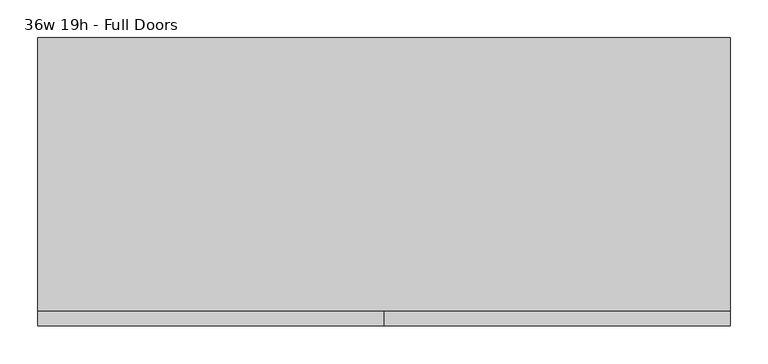
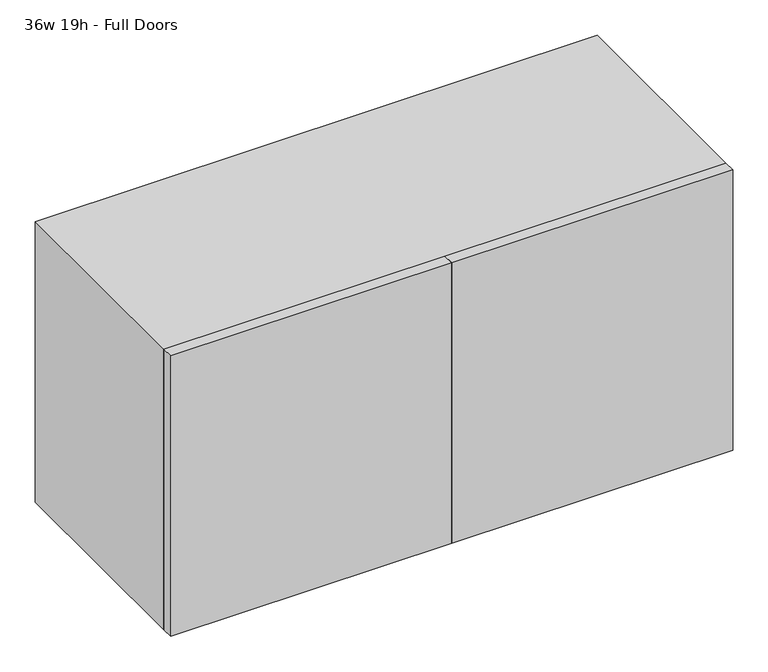
"""IFC4 building model written with IfcOpenShell, lengths in millimetres: furniture geometry, 36w 19h - Full Doors."""

from ifc_helpers import new_model, si_unit, frame, origin, place, context, project, spatial, polyline, outline, extrude, source, transform, mapped, element, save


def furniture_36w_19h_full_doors_8cf0c688(model_context):
    return source(origin(), model_context, "Body", "SweptSolid", [
        extrude(outline(polyline([(438.1569453, 161.925), (438.1569453, -180.975), (-438.1291641, -180.975), (-438.1291641, 161.925), (438.1569453, 161.925)])), frame((0.0, 0.0, 1055.1583333), z_axis=(0.0, 0.0, 1.0), x_axis=(1.0, 0.0, 0.0)), (0.0, 0.0, 1.0), 19.05),
        extrude(outline(polyline([(438.1569453, 161.925), (438.1569453, -180.975), (-438.1291641, -180.975), (-438.1291641, 161.925), (438.1569453, 161.925)])), frame((0.0, 0.0, 881.5916667), z_axis=(0.0, 0.0, 1.0), x_axis=(1.0, 0.0, 0.0)), (0.0, 0.0, 1.0), 19.05),
        extrude(outline(polyline([(0.0138906, -200.025), (0.0138906, -180.975), (457.2138906, -180.975), (457.2138906, -200.025), (0.0138906, -200.025)])), frame((0.0, 0.0, 736.6), z_axis=(0.0, 0.0, 1.0), x_axis=(1.0, 0.0, 0.0)), (0.0, 0.0, 1.0), 482.6),
        extrude(outline(polyline([(0.0138906, -200.025), (-457.1861094, -200.025), (-457.1861094, -180.975), (0.0138906, -180.975), (0.0138906, -200.025)])), frame((0.0, 0.0, 736.6), z_axis=(0.0, 0.0, 1.0), x_axis=(1.0, 0.0, 0.0)), (0.0, 0.0, 1.0), 482.6),
        extrude(outline(polyline([(736.6, -457.1861094), (736.6, 457.2138906), (1219.2, 457.2138906), (1219.2, -457.1861094), (736.6, -457.1861094)]), holes=[polyline([(755.65, -438.1361094), (1200.15, -438.1361094), (1200.15, 438.1569453), (755.65, 438.1569453), (755.65, -438.1361094)])]), frame((0.0, -180.975, 0.0), z_axis=(0.0, 1.0, 0.0), x_axis=(0.0, 0.0, 1.0)), (0.0, 0.0, 1.0), 361.95),
        extrude(outline(polyline([(-438.1291641, 161.925), (-438.1291641, 180.975), (438.1569453, 180.975), (438.1569453, 161.925), (-438.1291641, 161.925)])), frame((0.0, 0.0, 755.65), z_axis=(0.0, 0.0, 1.0), x_axis=(1.0, 0.0, 0.0)), (0.0, 0.0, 1.0), 444.5),
    ])


if __name__ == "__main__":
    model = new_model("IFC4")
    model_context = context("Model", 3, world=origin())
    ifc_project = project(units=[si_unit("LENGTHUNIT", "METRE", prefix="MILLI")], contexts=[model_context])
    site = spatial("IfcSite", under=ifc_project)
    building = spatial("IfcBuilding", under=site)
    placement = place(None, origin())
    furniture_36w_19h_full_doors_shape = furniture_36w_19h_full_doors_8cf0c688(model_context)
    element("IfcFurniture", 1, ObjectType="36w 19h - Full Doors", at=placement, inside=building, context=model_context, shape_type="MappedRepresentation", body=[
        mapped(furniture_36w_19h_full_doors_shape, transform((0.0, 0.0, 0.0), x_axis=(1.0, 0.0, 0.0), y_axis=(0.0, 1.0, 0.0), z_axis=(0.0, 0.0, 1.0))),
    ])
    save(model, "model.ifc")
